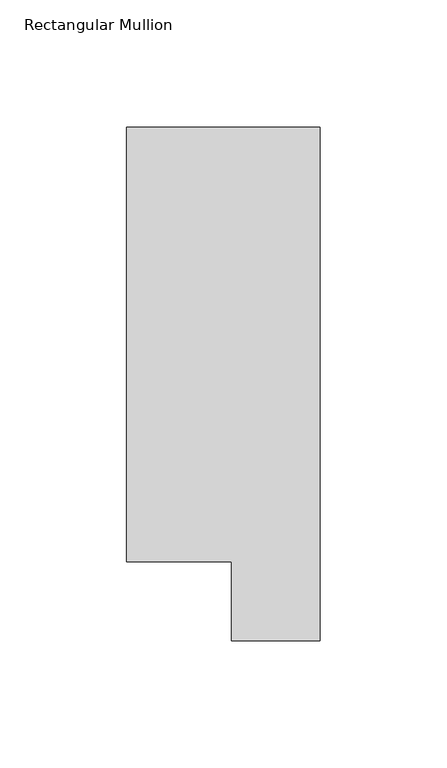
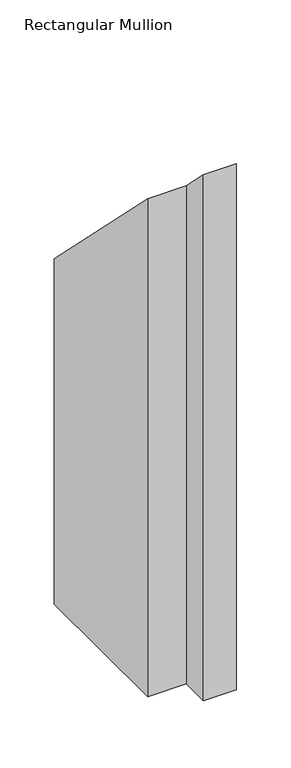
"""IFC4 building model written with IfcOpenShell, lengths in millimetres: member geometry, Rectangular Mullion."""

from ifc_helpers import new_model, si_unit, origin, place, context, project, spatial, faceted_brep, source, transform, mapped, element, save


def rectangular_mullion_ebc7714f(model_context):
    return source(origin(), model_context, "Body", "Brep", [
        faceted_brep([(0.0, 222.0301313, -609.56825), (0.0, 19.5667312, -609.56825), (-34.9123, 19.5667312, -609.56825), (-34.9123, 50.820278, -609.56825), (-76.2, 50.820278, -609.56825), (-76.2, 222.0301313, -609.56825), (-76.2, 222.0301313, -222.0301312), (0.0, 222.0301313, -222.0301312), (-76.2, 50.820278, -50.820278), (-34.9123, 50.820278, -50.820278), (-34.9123, 19.5667312, -19.5667312), (0.0, 19.5667312, -19.5667312)], [[[0, 1, 2, 3, 4, 5]], [[6, 7, 0, 5]], [[8, 6, 5, 4]], [[9, 8, 4, 3]], [[10, 9, 3, 2]], [[11, 10, 2, 1]], [[7, 11, 1, 0]], [[7, 6, 8, 9, 10, 11]]]),
    ])


if __name__ == "__main__":
    model = new_model("IFC4")
    model_context = context("Model", 3, world=origin())
    ifc_project = project(units=[si_unit("LENGTHUNIT", "METRE", prefix="MILLI")], contexts=[model_context])
    site = spatial("IfcSite", under=ifc_project)
    building = spatial("IfcBuilding", under=site)
    placement = place(None, origin())
    rectangular_mullion_shape = rectangular_mullion_ebc7714f(model_context)
    element("IfcMember", 1, ObjectType="Rectangular Mullion", at=placement, inside=building, context=model_context, shape_type="MappedRepresentation", body=[
        mapped(rectangular_mullion_shape, transform((0.0, 0.0, 0.0), x_axis=(1.0, 0.0, 0.0), y_axis=(0.0, 1.0, 0.0), z_axis=(0.0, 0.0, 1.0))),
    ])
    save(model, "model.ifc")
